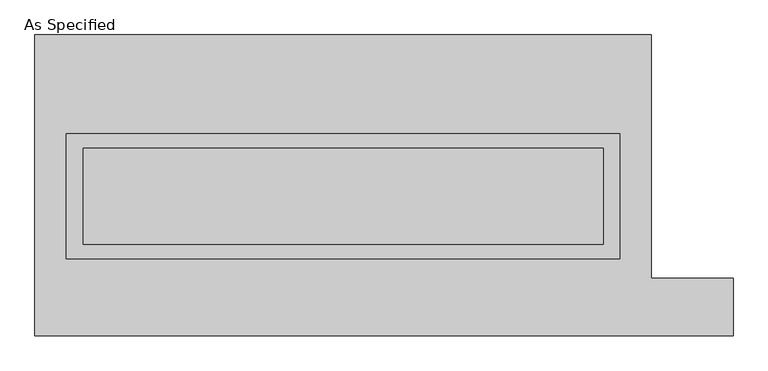
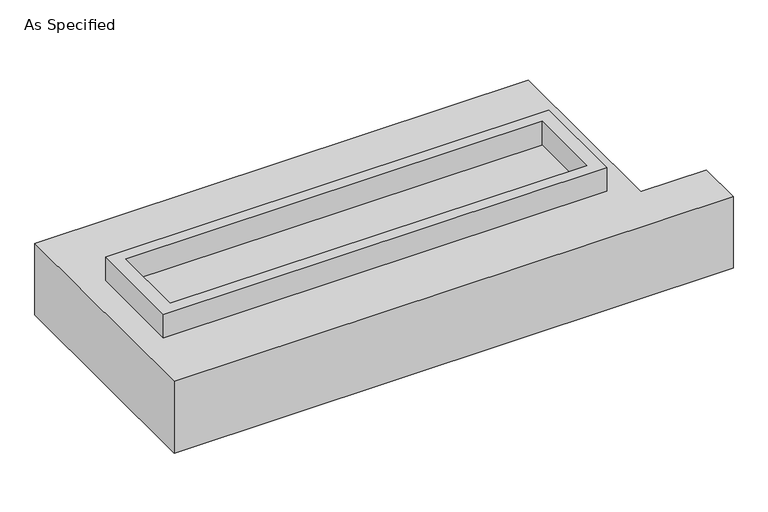
"""IFC4 building model written with IfcOpenShell, lengths in millimetres: proxy geometry, As Specified."""

from ifc_helpers import new_model, si_unit, frame, origin, place, context, project, spatial, polyline, outline, extrude, source, transform, mapped, element, save


def as_specified_d002592d(model_context):
    return source(origin(), model_context, "Body", "SweptSolid", [
        extrude(outline(polyline([(1460.5, 273.05), (1460.5, -387.35), (-1460.5, -387.35), (-1460.5, 273.05), (1460.5, 273.05)]), holes=[polyline([(1371.6, 196.85), (-1371.6, 196.85), (-1371.6, -311.15), (1371.6, -311.15), (1371.6, 196.85)])]), frame((0.0, 0.0, -688.975), z_axis=(0.0, 0.0, 1.0), x_axis=(1.0, 0.0, 0.0)), (0.0, 0.0, 1.0), 165.1),
        extrude(outline(polyline([(1460.5, 273.05), (1460.5, -387.35), (-1460.5, -387.35), (-1460.5, 273.05), (1460.5, 273.05)]), holes=[polyline([(1371.6, 196.85), (-1371.6, 196.85), (-1371.6, -311.15), (1371.6, -311.15), (1371.6, 196.85)])]), frame((0.0, 0.0, -25.4), z_axis=(0.0, 0.0, 1.0), x_axis=(1.0, 0.0, 0.0)), (0.0, 0.0, 1.0), 165.1),
        extrude(outline(polyline([(1371.6, 196.85), (1371.6, -311.15), (-1371.6, -311.15), (-1371.6, 196.85), (1371.6, 196.85)])), frame((0.0, 0.0, -523.875), z_axis=(0.0, 0.0, 1.0), x_axis=(1.0, 0.0, 0.0)), (0.0, 0.0, 1.0), 4.9609375),
        extrude(outline(polyline([(1371.6, 196.85), (1371.6, -311.15), (-1371.6, -311.15), (-1371.6, 196.85), (1371.6, 196.85)])), frame((0.0, 0.0, -30.3609375), z_axis=(0.0, 0.0, 1.0), x_axis=(1.0, 0.0, 0.0)), (0.0, 0.0, 1.0), 4.9609375),
        extrude(outline(polyline([(-1625.6, 793.75), (1625.6, 793.75), (1625.6, -488.95), (2057.4, -488.95), (2057.4, -793.75), (-1625.6, -793.75), (-1625.6, 793.75)]), holes=[polyline([(-1460.5, 273.05), (-1460.5, -387.35), (1460.5, -387.35), (1460.5, 273.05), (-1460.5, 273.05)])]), frame((0.0, 0.0, -523.875), z_axis=(0.0, 0.0, 1.0), x_axis=(1.0, 0.0, 0.0)), (0.0, 0.0, 1.0), 498.475),
    ])


if __name__ == "__main__":
    model = new_model("IFC4")
    model_context = context("Model", 3, world=origin())
    ifc_project = project(units=[si_unit("LENGTHUNIT", "METRE", prefix="MILLI")], contexts=[model_context])
    site = spatial("IfcSite", under=ifc_project)
    building = spatial("IfcBuilding", under=site)
    placement = place(None, origin())
    as_specified_shape = as_specified_d002592d(model_context)
    element("IfcBuildingElementProxy", 1, Name="As Specified", ObjectType="As Specified", at=placement, inside=building, context=model_context, shape_type="MappedRepresentation", body=[
        mapped(as_specified_shape, transform((0.0, 0.0, 0.0), x_axis=(1.0, 0.0, 0.0), y_axis=(0.0, 1.0, 0.0), z_axis=(0.0, 0.0, 1.0))),
    ])
    save(model, "model.ifc")
